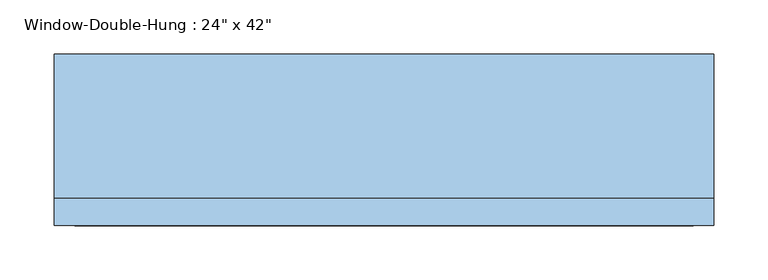
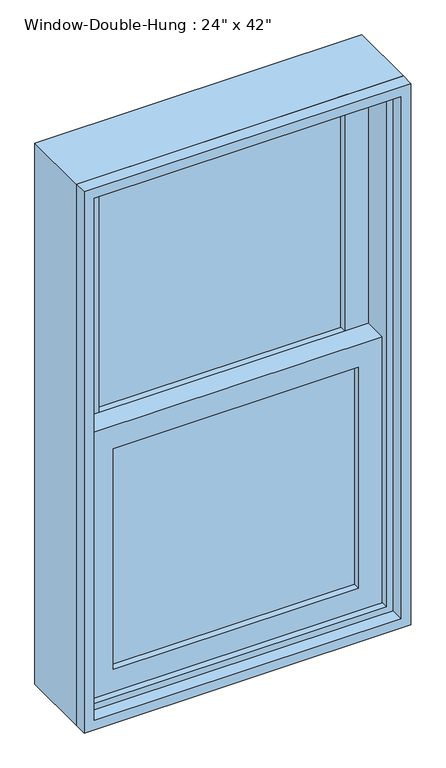
"""IFC4 building model written with IfcOpenShell, lengths in millimetres: window geometry."""

from ifc_helpers import new_model, si_unit, frame, origin, place, context, project, spatial, polyline, outline, extrude, source, transform, mapped, element, save


def window_3b1da35d(model_context):
    return source(origin(), model_context, "Body", "SweptSolid", [
        extrude(outline(polyline([(228.6, 0.0), (228.6, -6.35), (-228.6, -6.35), (-228.6, 0.0), (228.6, 0.0)])), frame((0.0, 0.0, 990.6), z_axis=(0.0, 0.0, 1.0), x_axis=(1.0, 0.0, 0.0)), (0.0, 0.0, 1.0), 434.975),
        extrude(outline(polyline([(-228.6, -12.7), (228.6, -12.7), (228.6, -19.05), (-228.6, -19.05), (-228.6, -12.7)])), frame((0.0, 0.0, 990.6), z_axis=(0.0, 0.0, 1.0), x_axis=(1.0, 0.0, 0.0)), (0.0, 0.0, 1.0), 434.975),
        extrude(outline(polyline([(228.6, 44.45), (228.6, 38.1), (-228.6, 38.1), (-228.6, 44.45), (228.6, 44.45)])), frame((0.0, 0.0, 1470.025), z_axis=(0.0, 0.0, 1.0), x_axis=(1.0, 0.0, 0.0)), (0.0, 0.0, 1.0), 434.975),
        extrude(outline(polyline([(-228.6, 31.75), (228.6, 31.75), (228.6, 25.4), (-228.6, 25.4), (-228.6, 31.75)])), frame((0.0, 0.0, 1470.025), z_axis=(0.0, 0.0, 1.0), x_axis=(1.0, 0.0, 0.0)), (0.0, 0.0, 1.0), 434.975),
        extrude(outline(polyline([(1470.025, -273.05), (946.15, -273.05), (946.15, 273.05), (1470.025, 273.05), (1470.025, -273.05)]), holes=[polyline([(1425.575, 228.6), (990.6, 228.6), (990.6, -228.6), (1425.575, -228.6), (1425.575, 228.6)])]), frame((0.0, -31.75, 0.0), z_axis=(0.0, 1.0, 0.0), x_axis=(0.0, 0.0, 1.0)), (0.0, 0.0, 1.0), 44.45),
        extrude(outline(polyline([(1949.45, -273.05), (1425.575, -273.05), (1425.575, 273.05), (1949.45, 273.05), (1949.45, -273.05)]), holes=[polyline([(1905.0, 228.6), (1470.025, 228.6), (1470.025, -228.6), (1905.0, -228.6), (1905.0, 228.6)])]), frame((0.0, 12.7, 0.0), z_axis=(0.0, 1.0, 0.0), x_axis=(0.0, 0.0, 1.0)), (0.0, 0.0, 1.0), 44.45),
        extrude(outline(polyline([(1981.2, -304.8), (914.4, -304.8), (914.4, 304.8), (1981.2, 304.8), (1981.2, -304.8)]), holes=[polyline([(1949.45, 273.05), (946.15, 273.05), (946.15, -273.05), (1949.45, -273.05), (1949.45, 273.05)])]), frame((0.0, -44.45, 0.0), z_axis=(0.0, 1.0, 0.0), x_axis=(0.0, 0.0, 1.0)), (0.0, 0.0, 1.0), 133.35),
        extrude(outline(polyline([(1981.2, 304.8), (1981.2, -304.8), (914.4, -304.8), (914.4, 304.8), (1981.2, 304.8)]), holes=[polyline([(1962.15, 285.75), (933.45, 285.75), (933.45, -285.75), (1962.15, -285.75), (1962.15, 285.75)])]), frame((0.0, -69.85, 0.0), z_axis=(0.0, 1.0, 0.0), x_axis=(0.0, 0.0, 1.0)), (0.0, 0.0, 1.0), 25.4),
    ])


if __name__ == "__main__":
    model = new_model("IFC4")
    model_context = context("Model", 3, world=origin())
    ifc_project = project(units=[si_unit("LENGTHUNIT", "METRE", prefix="MILLI")], contexts=[model_context])
    site = spatial("IfcSite", under=ifc_project)
    building = spatial("IfcBuilding", under=site)
    placement = place(None, origin())
    window_shape = window_3b1da35d(model_context)
    element("IfcWindow", 1, ObjectType="Window-Double-Hung : 24\" x 42\"", at=placement, inside=building, context=model_context, shape_type="MappedRepresentation", body=[
        mapped(window_shape, transform((0.0, 0.0, 0.0), x_axis=(1.0, 0.0, 0.0), y_axis=(0.0, 1.0, 0.0), z_axis=(0.0, 0.0, 1.0))),
    ])
    save(model, "model.ifc")
